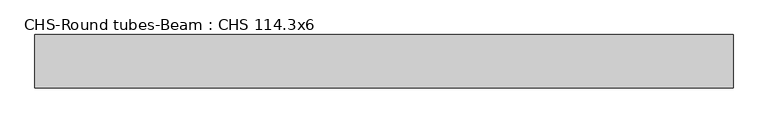
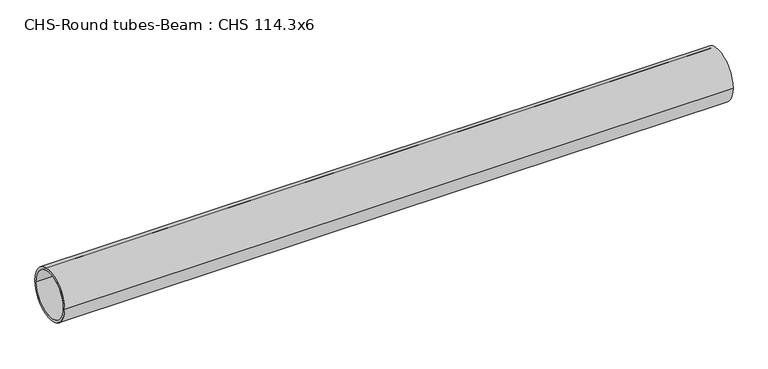
"""IFC4 building model written with IfcOpenShell, lengths in millimetres: beam geometry, CHS-Round tubes-Beam : CHS 114.3x6."""

from ifc_helpers import new_model, si_unit, point, frame, origin, origin_2d, place, context, project, spatial, circle_curve, trimmed, segment, composite_curve, outline, extrude, source, transform, mapped, element, save


def chs_round_tubes_beam_chs_114_3x6_b3a47b48(model_context):
    return source(origin(), model_context, "Body", "SweptSolid", [
        extrude(outline(composite_curve([segment(trimmed(circle_curve(origin_2d(), 57.15), [point((57.15, 0.0))], [point((-57.15, 0.0))], False, "CARTESIAN"), True, "CONTINUOUS"), segment(trimmed(circle_curve(origin_2d(), 57.15), [point((-57.15, 0.0))], [point((57.15, 0.0))], False, "CARTESIAN"), True, "CONTINUOUS")], self_intersect=False), holes=[composite_curve([segment(trimmed(circle_curve(origin_2d(), 51.15), [point((51.15, 0.0))], [point((-51.15, 0.0))], True, "CARTESIAN"), True, "CONTINUOUS"), segment(trimmed(circle_curve(origin_2d(), 51.15), [point((-51.15, 0.0))], [point((51.15, 0.0))], True, "CARTESIAN"), True, "CONTINUOUS")], self_intersect=False)]), frame((-736.3779027, 0.0, 0.0), z_axis=(1.0, 0.0, 0.0), x_axis=(0.0, 1.0, 0.0)), (0.0, 0.0, 1.0), 1493.3355557),
    ])


if __name__ == "__main__":
    model = new_model("IFC4")
    model_context = context("Model", 3, world=origin())
    ifc_project = project(units=[si_unit("LENGTHUNIT", "METRE", prefix="MILLI")], contexts=[model_context])
    site = spatial("IfcSite", under=ifc_project)
    building = spatial("IfcBuilding", under=site)
    placement = place(None, origin())
    chs_round_tubes_beam_chs_114_3x6_shape = chs_round_tubes_beam_chs_114_3x6_b3a47b48(model_context)
    element("IfcBeam", 1, ObjectType="CHS-Round tubes-Beam : CHS 114.3x6", at=placement, inside=building, context=model_context, shape_type="MappedRepresentation", body=[
        mapped(chs_round_tubes_beam_chs_114_3x6_shape, transform((0.0, 0.0, 0.0), x_axis=(1.0, 0.0, 0.0), y_axis=(0.0, 1.0, 0.0), z_axis=(0.0, 0.0, 1.0))),
    ])
    save(model, "model.ifc")
